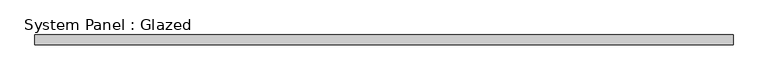
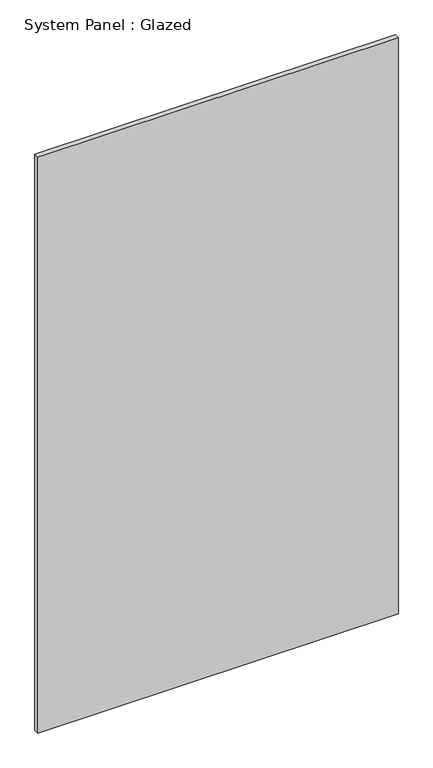
"""IFC4 building model written with IfcOpenShell, lengths in millimetres: plate geometry, System Panel : Glazed."""

from ifc_helpers import new_model, si_unit, origin, origin_with_axes, place, context, project, spatial, polyline, outline, extrude, source, transform, mapped, element, save


def system_panel_glazed_5bdcef8e(model_context):
    return source(origin(), model_context, "Body", "SweptSolid", [
        extrude(outline(polyline([(914.4, 19.05), (-914.4, 19.05), (-914.4, 44.45), (914.4, 44.45), (914.4, 19.05)])), origin_with_axes(), (0.0, 0.0, 1.0), 3086.1),
    ])


if __name__ == "__main__":
    model = new_model("IFC4")
    model_context = context("Model", 3, world=origin())
    ifc_project = project(units=[si_unit("LENGTHUNIT", "METRE", prefix="MILLI")], contexts=[model_context])
    site = spatial("IfcSite", under=ifc_project)
    building = spatial("IfcBuilding", under=site)
    placement = place(None, origin())
    system_panel_glazed_shape = system_panel_glazed_5bdcef8e(model_context)
    element("IfcPlate", 1, ObjectType="System Panel : Glazed", at=placement, inside=building, context=model_context, shape_type="MappedRepresentation", body=[
        mapped(system_panel_glazed_shape, transform((0.0, 0.0, 0.0), x_axis=(1.0, 0.0, 0.0), y_axis=(0.0, 1.0, 0.0), z_axis=(0.0, 0.0, 1.0))),
    ])
    save(model, "model.ifc")
